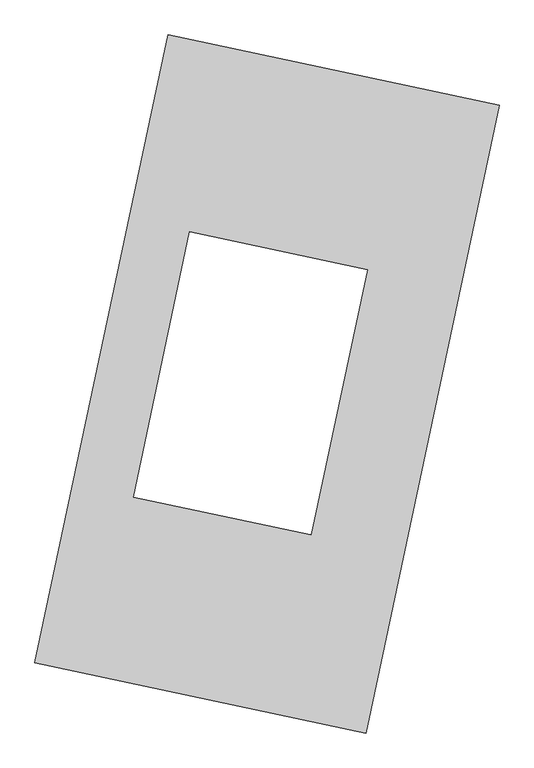
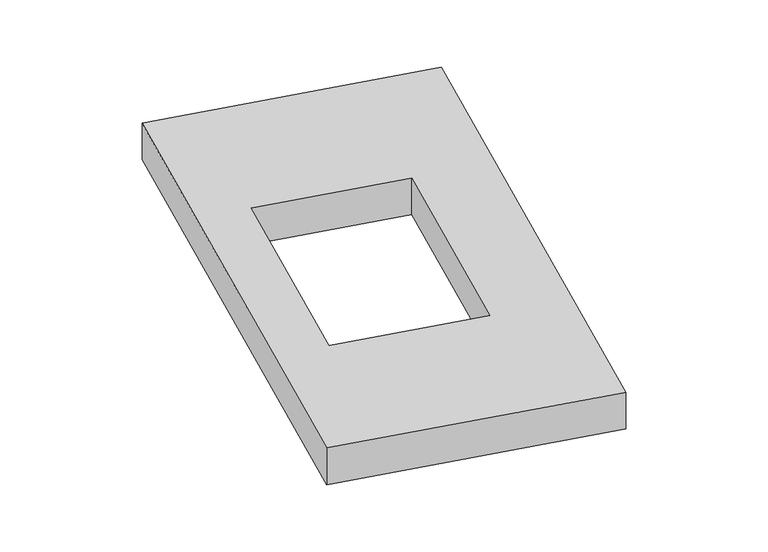
"""IFC4 building model written with IfcOpenShell, lengths in millimetres: proxy geometry."""

from ifc_helpers import new_model, si_unit, origin, origin_with_axes, place, context, project, spatial, polyline, outline, extrude, source, transform, mapped, element, save


def generic_models_574099f8(model_context):
    return source(origin(), model_context, "Body", "SweptSolid", [
        extrude(outline(polyline([(-617.3692021, 2175.5580432), (1447.7508745, 1737.3010494), (617.3692021, -2175.5580432), (-1447.7508745, -1737.3010494), (-617.3692021, 2175.5580432)]), holes=[polyline([(626.1409317, 712.912096), (-481.2251604, 947.9158326), (-831.9068493, -704.5387924), (275.4592428, -939.542529), (626.1409317, 712.912096)])]), origin_with_axes(), (0.0, 0.0, 1.0), 300.0),
    ])


if __name__ == "__main__":
    model = new_model("IFC4")
    model_context = context("Model", 3, world=origin())
    ifc_project = project(units=[si_unit("LENGTHUNIT", "METRE", prefix="MILLI")], contexts=[model_context])
    site = spatial("IfcSite", under=ifc_project)
    building = spatial("IfcBuilding", under=site)
    placement = place(None, origin())
    generic_models_shape = generic_models_574099f8(model_context)
    element("IfcBuildingElementProxy", 1, Name="Generic Models", at=placement, inside=building, context=model_context, shape_type="MappedRepresentation", body=[
        mapped(generic_models_shape, transform((0.0, 0.0, 0.0), x_axis=(1.0, 0.0, 0.0), y_axis=(0.0, 1.0, 0.0), z_axis=(0.0, 0.0, 1.0))),
    ])
    save(model, "model.ifc")
